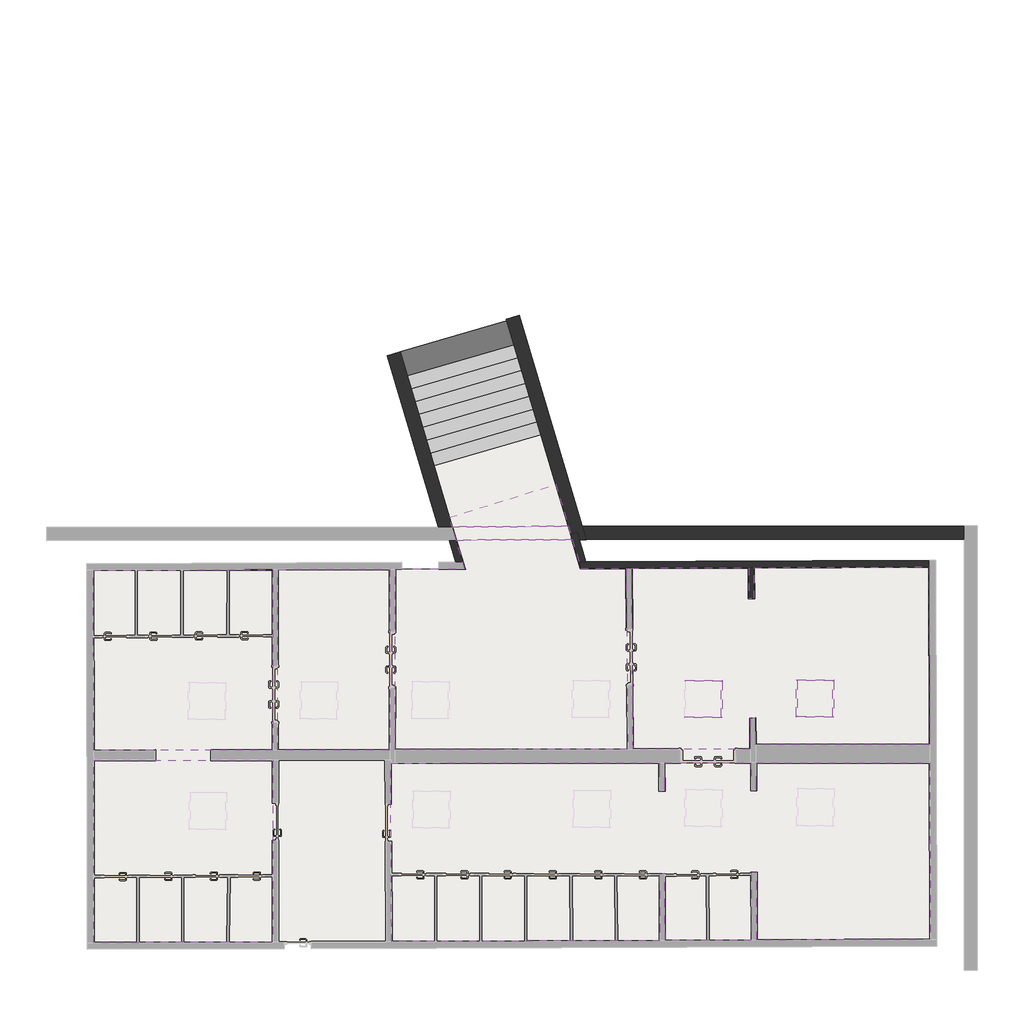
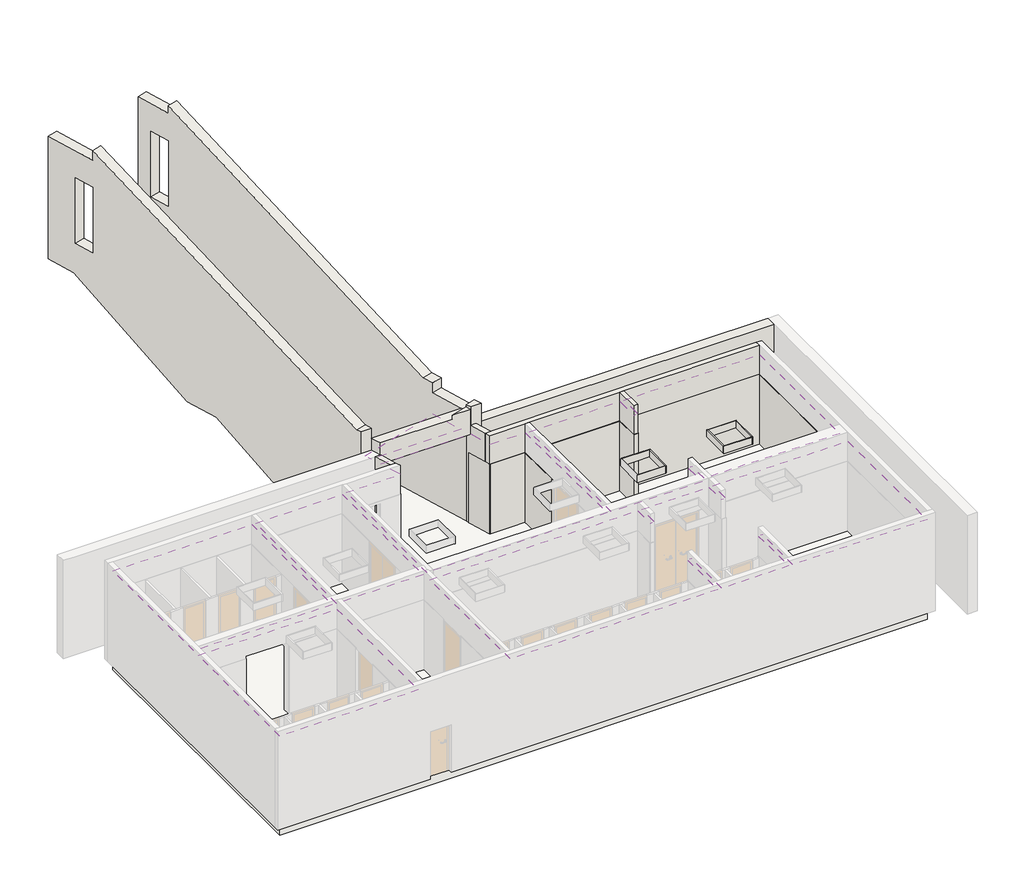
# One storey, part 4 of 4: 29 walls, 7 coverings, 1 slab, 1 stair flight.
"""IFC4 building model written with IfcOpenShell, lengths in millimetres."""

from ifc_helpers import new_model, si_unit, frame, origin, place, context, project, spatial, polyline, outline, extrude, faceted_brep, element, save

model = new_model("IFC4")

# Units and contexts
model_context = context("Model", 3, world=origin())
ifc_project = project(units=[si_unit("LENGTHUNIT", "METRE", prefix="MILLI")], contexts=[model_context])

# Site, building, storey
site = spatial("IfcSite", under=ifc_project)
building = spatial("IfcBuilding", under=site)
storey = spatial("IfcBuildingStorey", under=building, Elevation=-6274.75)

# Coverings
placement = place(None, origin())
element("IfcCovering", 1, at=placement, inside=storey, context=model_context, shape_type="SweptSolid", body=[
    extrude(outline(polyline([(70661.0360905, -28299.5111255), (70660.5794189, -32344.7183045), (66652.2460209, -32350.0143288), (66648.4929654, -28317.8677142), (70661.0360905, -28299.5111255)]), holes=[polyline([(68796.5427324, -31640.6858262), (69596.5427324, -31640.6858262), (69596.5427324, -30840.6858262), (68796.5427324, -30840.6858262), (68796.5427324, -31640.6858262)])]), frame((0.0, 0.0, -3549.75), z_axis=(0.0, 0.0, 1.0), x_axis=(1.0, 0.0, 0.0)), (0.0, 0.0, 1.0), 50.0),
])
element("IfcCovering", 2, at=placement, inside=storey, context=model_context, shape_type="SweptSolid", body=[
    extrude(outline(polyline([(66656.2516635, -36653.5313719), (66652.4507932, -32570.0142503), (70666.8270418, -32564.7102418), (70664.4581083, -36638.1355472), (66656.2516635, -36653.5313719)]), holes=[polyline([(68813.7898822, -33299.848315), (68813.7898822, -34099.848315), (69613.7898822, -34099.848315), (69613.7898822, -33299.848315), (68813.7898822, -33299.848315)])]), frame((0.0, 0.0, -3549.75), z_axis=(0.0, 0.0, 1.0), x_axis=(1.0, 0.0, 0.0)), (0.0, 0.0, 1.0), 50.0),
])
element("IfcCovering", 3, at=placement, inside=storey, context=model_context, shape_type="SweptSolid", body=[
    extrude(outline(polyline([(73282.105469, -32341.2546041), (70780.5794375, -32344.559754), (70781.0361532, -28298.9621491), (73284.790909, -28287.5079679), (73282.105469, -32341.2546041)]), holes=[polyline([(71300.5808019, -30825.8886279), (71300.5808019, -31625.8886279), (72100.5808019, -31625.8886279), (72100.5808019, -30825.8886279), (71300.5808019, -30825.8886279)])]), frame((0.0, 0.0, -3554.75), z_axis=(0.0, 0.0, 1.0), x_axis=(1.0, 0.0, 0.0)), (0.0, 0.0, 1.0), 50.0),
])
element("IfcCovering", 4, at=placement, inside=storey, context=model_context, shape_type="SweptSolid", body=[
    extrude(outline(polyline([(79327.7825208, -36604.8590615), (73325.5635402, -36627.9140395), (73303.2925428, -32631.4157063), (79314.845559, -32623.4588174), (79316.8767664, -33248.5707837), (79436.8761329, -33248.1808638), (79434.8456764, -32623.2999853), (81371.6534772, -32620.7364273), (81373.4381955, -33241.8657362), (81493.4377002, -33241.5209363), (81491.653895, -32620.7094403), (85375.9356956, -32622.5914468), (85386.7533636, -36581.5860953), (81503.0777203, -36596.5035878), (81498.7504439, -35090.4966453), (81378.7509393, -35090.8414452), (81383.0785493, -36596.9645137), (79447.7816566, -36604.3981358), (79442.9402665, -35114.4415177), (79322.9409, -35114.8314376), (79327.7825208, -36604.8590615)]), holes=[polyline([(82417.1908635, -33221.0864893), (82417.1908635, -34021.0864893), (83217.1908635, -34021.0864893), (83217.1908635, -33221.0864893), (82417.1908635, -33221.0864893)]), polyline([(79909.1447173, -33239.588368), (79909.1447173, -34039.588368), (80709.1447173, -34039.588368), (80709.1447173, -33239.588368), (79909.1447173, -33239.588368)]), polyline([(77407.3363559, -33256.8869609), (77407.3363559, -34056.8869609), (78207.3363559, -34056.8869609), (78207.3363559, -33256.8869609), (77407.3363559, -33256.8869609)]), polyline([(73813.7298631, -33273.4608772), (73813.7298631, -34073.4608772), (74613.7298631, -34073.4608772), (74613.7298631, -33273.4608772), (73813.7298631, -33273.4608772)])]), frame((0.0, 0.0, -3539.75), z_axis=(0.0, 0.0, 1.0), x_axis=(1.0, 0.0, 0.0)), (0.0, 0.0, 1.0), 50.0),
])
element("IfcCovering", 5, at=placement, inside=storey, context=model_context, shape_type="SweptSolid", body=[
    extrude(outline(polyline([(81357.108086, -32320.7554168), (78730.7105425, -32324.2317154), (78700.281519, -28265.6468686), (81318.4412016, -28255.5083461), (81325.0070951, -28945.814267), (81445.0016673, -28944.6729302), (81438.4422098, -28255.0436559), (85363.9601496, -28239.8425387), (85374.8427228, -32222.5908703), (81476.1618479, -32220.7018871), (81470.5583456, -31631.5770622), (81350.5637734, -31632.718399), (81357.108086, -32320.7554168)]), holes=[polyline([(79905.278356, -30799.811546), (79905.278356, -31599.811546), (80705.278356, -31599.811546), (80705.278356, -30799.811546), (79905.278356, -30799.811546)]), polyline([(82406.7360913, -30788.7189645), (82406.7360913, -31588.7189645), (83206.7360913, -31588.7189645), (83206.7360913, -30788.7189645), (82406.7360913, -30788.7189645)])]), frame((0.0, 0.0, -3554.75), z_axis=(0.0, 0.0, 1.0), x_axis=(1.0, 0.0, 0.0)), (0.0, 0.0, 1.0), 50.0),
])
element("IfcCovering", 6, at=placement, inside=storey, context=model_context, shape_type="SweptSolid", body=[
    extrude(outline(polyline([(73402.1121, -32331.284646), (73404.791299, -28286.9589899), (74967.5099121, -28279.8098623), (74769.4591671, -27637.674684), (77371.3769279, -27632.7346824), (77561.6079558, -28270.0562512), (78580.2816303, -28266.1115544), (78610.7083607, -32324.3905503), (73402.1121, -32331.284646)]), holes=[polyline([(74590.6635357, -30823.9171268), (73790.6635357, -30823.9171268), (73790.6635357, -31623.9171268), (74590.6635357, -31623.9171268), (74590.6635357, -30823.9171268)]), polyline([(77392.4819713, -30802.4562512), (77392.4819713, -31602.4562512), (78192.4819713, -31602.4562512), (78192.4819713, -30802.4562512), (77392.4819713, -30802.4562512)])]), frame((0.0, 0.0, -3539.75), z_axis=(0.0, 0.0, 1.0), x_axis=(1.0, 0.0, 0.0)), (0.0, 0.0, 1.0), 50.0),
])
element("IfcCovering", 7, at=placement, inside=storey, context=model_context, shape_type="SweptSolid", body=[
    extrude(outline(polyline([(77281.8819369, -27332.9040569), (74678.1940446, -27337.8474193), (74616.5790755, -27130.4023309), (77000.9104033, -26391.5790762), (77281.8819369, -27332.9040569)])), frame((0.0, 0.0, -3554.75), z_axis=(0.0, 0.0, 1.0), x_axis=(1.0, 0.0, 0.0)), (0.0, 0.0, 1.0), 50.0),
])

# Slab
element("IfcSlab", 8, at=placement, inside=storey, context=model_context, shape_type="SweptSolid", body=[
    extrude(outline(polyline([(66656.2516635, -36653.5313719), (66648.4929654, -28317.8677142), (74957.9869845, -28279.8534278), (74273.7927454, -25976.31037), (76668.5892777, -25278.2201068), (77561.6079558, -28270.0562512), (85363.9601496, -28239.8425387), (85386.7533636, -36581.5860953), (66656.2516635, -36653.5313719)])), frame((0.0, 0.0, -6574.75), z_axis=(0.0, 0.0, 1.0), x_axis=(1.0, 0.0, 0.0)), (0.0, 0.0, 1.0), 300.0),
])

# Stair flight
element("IfcStairFlight", 9, ObjectType="3/4\" Nosing", at=placement, inside=storey, context=model_context, shape_type="Brep", body=[
    faceted_brep([(74188.37431, -25688.7238446, -6116.90625), (74273.7927454, -25976.31037, -6116.90625), (76668.5892777, -25278.2201068, -6116.90625), (76582.7827375, -24990.746715, -6116.90625), (74188.37431, -25688.7238446, -6274.75), (74273.7927454, -25976.31037, -6274.75), (76668.5892777, -25278.2201068, -6274.75), (76582.7827375, -24990.746715, -6274.75), (74102.9558745, -25401.1373191, -5959.0625), (74188.37431, -25688.7238446, -5959.0625), (76582.7827375, -24990.746715, -5959.0625), (76496.9761974, -24703.2733233, -5959.0625), (74102.9558745, -25401.1373191, -6159.9709486), (74165.0694963, -25610.2612697, -6274.75), (76559.3720368, -24912.3150066, -6274.75), (76496.9761974, -24703.2733233, -6159.9709486), (74017.5374391, -25113.5507937, -5801.21875), (74102.9558745, -25401.1373191, -5801.21875), (76496.9761974, -24703.2733233, -5801.21875), (76411.1696572, -24415.7999315, -5801.21875), (74017.5374391, -25113.5507937, -6002.1271986), (76411.1696572, -24415.7999315, -6002.1271986), (73932.1190037, -24825.9642683, -5643.375), (74017.5374391, -25113.5507937, -5643.375), (76411.1696572, -24415.7999315, -5643.375), (76325.363117, -24128.3265397, -5643.375), (73932.1190037, -24825.9642683, -5844.2834486), (76325.363117, -24128.3265397, -5844.2834486), (73846.7005682, -24538.3777428, -5485.53125), (73932.1190037, -24825.9642683, -5485.53125), (76325.363117, -24128.3265397, -5485.53125), (76239.5565769, -23840.853148, -5485.53125), (73846.7005682, -24538.3777428, -5686.4396986), (76239.5565769, -23840.853148, -5686.4396986), (73761.2821328, -24250.7912174, -5327.6875), (73846.7005682, -24538.3777428, -5327.6875), (76239.5565769, -23840.853148, -5327.6875), (76153.7500367, -23553.3797562, -5327.6875), (73761.2821328, -24250.7912174, -5528.5959486), (76153.7500367, -23553.3797562, -5528.5959486), (73675.8636974, -23963.2046919, -5169.84375), (73761.2821328, -24250.7912174, -5169.84375), (76153.7500367, -23553.3797562, -5169.84375), (76067.9434966, -23265.9063644, -5169.84375), (73675.8636974, -23963.2046919, -5370.7521986), (76067.9434966, -23265.9063644, -5370.7521986), (73590.445262, -23675.6181665, -5012.0), (73675.8636974, -23963.2046919, -5012.0), (76067.9434966, -23265.9063644, -5012.0), (75982.1369564, -22978.4329727, -5012.0), (73590.445262, -23675.6181665, -5212.9084486), (75982.1369564, -22978.4329727, -5212.9084486), (73505.0268265, -23388.0316411, -4854.15625), (73590.445262, -23675.6181665, -4854.15625), (75982.1369564, -22978.4329727, -4854.15625), (75896.3304162, -22690.9595809, -4854.15625), (73505.0268265, -23388.0316411, -5055.0646986), (75896.3304162, -22690.9595809, -5055.0646986), (73419.6083911, -23100.4451156, -4696.3125), (73505.0268265, -23388.0316411, -4696.3125), (75896.3304162, -22690.9595809, -4696.3125), (75810.5238761, -22403.4861892, -4696.3125), (73419.6083911, -23100.4451156, -4897.2209486), (75810.5238761, -22403.4861892, -4897.2209486), (73334.1899557, -22812.8585902, -4538.46875), (73419.6083911, -23100.4451156, -4538.46875), (75810.5238761, -22403.4861892, -4538.46875), (75724.7173359, -22116.0127974, -4538.46875), (73334.1899557, -22812.8585902, -4739.3771986), (75724.7173359, -22116.0127974, -4739.3771986), (73334.1899557, -22812.8585902, -4380.625), (75724.7173359, -22116.0127974, -4380.625), (75626.3486511, -21786.4530759, -4380.625), (75352.8889952, -20870.2947664, -4380.625), (72964.0434021, -21566.6503133, -4380.625), (73236.2661944, -22483.1691722, -4380.625), (72964.0434021, -21566.6503133, -4558.425), (73236.2661944, -22483.1691722, -4558.425), (75626.3486511, -21786.4530759, -4558.425), (75352.8889952, -20870.2947664, -4558.425), (72964.0434021, -21566.6503133, -4222.78125), (75352.8889952, -20870.2947664, -4222.78125), (75340.3268505, -20828.2084367, -4222.78125), (75267.082455, -20582.8213747, -4222.78125), (72878.6249667, -21279.0637878, -4222.78125), (72951.5380763, -21524.5474207, -4222.78125), (72878.6249667, -21279.0637878, -4423.6896986), (72951.5380763, -21524.5474207, -4558.425), (75340.3268505, -20828.2084367, -4558.425), (75267.082455, -20582.8213747, -4423.6896986), (72793.2065313, -20991.4772624, -4064.9375), (72878.6249667, -21279.0637878, -4064.9375), (75267.082455, -20582.8213747, -4064.9375), (75181.2759149, -20295.3479829, -4064.9375), (72793.2065313, -20991.4772624, -4265.8459486), (75181.2759149, -20295.3479829, -4265.8459486), (72707.7880959, -20703.890737, -3907.09375), (72793.2065313, -20991.4772624, -3907.09375), (75181.2759149, -20295.3479829, -3907.09375), (75095.4693747, -20007.8745911, -3907.09375), (72707.7880959, -20703.890737, -4108.0021986), (75095.4693747, -20007.8745911, -4108.0021986), (72622.3696604, -20416.3042115, -3749.25), (72707.7880959, -20703.890737, -3749.25), (75095.4693747, -20007.8745911, -3749.25), (75009.6628345, -19720.4011994, -3749.25), (72622.3696604, -20416.3042115, -3950.1584486), (75009.6628345, -19720.4011994, -3950.1584486), (72536.951225, -20128.7176861, -3591.40625), (72622.3696604, -20416.3042115, -3591.40625), (75009.6628345, -19720.4011994, -3591.40625), (74923.8562944, -19432.9278076, -3591.40625), (72536.951225, -20128.7176861, -3792.3146986), (74923.8562944, -19432.9278076, -3792.3146986), (72451.5327896, -19841.1311606, -3433.5625), (72536.951225, -20128.7176861, -3433.5625), (74923.8562944, -19432.9278076, -3433.5625), (74838.0497542, -19145.4544158, -3433.5625), (72451.5327896, -19841.1311606, -3634.4709486), (74838.0497542, -19145.4544158, -3634.4709486), (72366.1143541, -19553.5446352, -3275.71875), (72451.5327896, -19841.1311606, -3275.71875), (74838.0497542, -19145.4544158, -3275.71875), (74752.243214, -18857.9810241, -3275.71875), (72366.1143541, -19553.5446352, -3476.6271986), (74752.243214, -18857.9810241, -3476.6271986), (72280.6959187, -19265.9581098, -3117.875), (72366.1143541, -19553.5446352, -3117.875), (74752.243214, -18857.9810241, -3117.875), (74666.4366739, -18570.5076323, -3117.875), (72280.6959187, -19265.9581098, -3318.7834486), (74666.4366739, -18570.5076323, -3318.7834486), (72195.2774833, -18978.3715843, -2960.03125), (72280.6959187, -19265.9581098, -2960.03125), (74666.4366739, -18570.5076323, -2960.03125), (74580.6301337, -18283.0342406, -2960.03125), (72195.2774833, -18978.3715843, -3160.9396986), (74580.6301337, -18283.0342406, -3160.9396986), (72109.8590479, -18690.7850589, -2802.1875), (72195.2774833, -18978.3715843, -2802.1875), (74580.6301337, -18283.0342406, -2802.1875), (74494.8235936, -17995.5608488, -2802.1875), (72109.8590479, -18690.7850589, -3003.0959486), (74494.8235936, -17995.5608488, -3003.0959486), (72029.8646831, -18421.4602778, -2644.34375), (72109.8590479, -18690.7850589, -2644.34375), (74494.8235936, -17995.5608488, -2644.34375), (74414.4657687, -17726.3420174, -2644.34375), (72029.8646831, -18421.4602778, -2855.2752767), (74414.4657687, -17726.3420174, -2855.2752767)], [[[0, 1, 2, 3]], [[1, 0, 4, 5]], [[2, 1, 5, 6]], [[3, 2, 6, 7]], [[8, 9, 10, 11]], [[4, 0, 9, 8, 12, 13]], [[0, 3, 10, 9]], [[3, 7, 14, 15, 11, 10]], [[16, 17, 18, 19]], [[17, 16, 20, 12, 8]], [[8, 11, 18, 17]], [[19, 18, 11, 15, 21]], [[22, 23, 24, 25]], [[23, 22, 26, 20, 16]], [[16, 19, 24, 23]], [[25, 24, 19, 21, 27]], [[28, 29, 30, 31]], [[29, 28, 32, 26, 22]], [[22, 25, 30, 29]], [[31, 30, 25, 27, 33]], [[34, 35, 36, 37]], [[35, 34, 38, 32, 28]], [[28, 31, 36, 35]], [[37, 36, 31, 33, 39]], [[40, 41, 42, 43]], [[41, 40, 44, 38, 34]], [[34, 37, 42, 41]], [[43, 42, 37, 39, 45]], [[46, 47, 48, 49]], [[47, 46, 50, 44, 40]], [[40, 43, 48, 47]], [[49, 48, 43, 45, 51]], [[52, 53, 54, 55]], [[53, 52, 56, 50, 46]], [[46, 49, 54, 53]], [[55, 54, 49, 51, 57]], [[58, 59, 60, 61]], [[59, 58, 62, 56, 52]], [[52, 55, 60, 59]], [[61, 60, 55, 57, 63]], [[64, 65, 66, 67]], [[65, 64, 68, 62, 58]], [[58, 61, 66, 65]], [[67, 66, 61, 63, 69]], [[70, 71, 72, 73, 74, 75]], [[64, 70, 75, 74, 76, 77, 68]], [[64, 67, 71, 70]], [[71, 67, 69, 78, 79, 73, 72]], [[80, 81, 82, 83, 84, 85]], [[74, 80, 85, 84, 86, 87, 76]], [[74, 73, 81, 80]], [[81, 73, 79, 88, 89, 83, 82]], [[90, 91, 92, 93]], [[91, 90, 94, 86, 84]], [[84, 83, 92, 91]], [[93, 92, 83, 89, 95]], [[96, 97, 98, 99]], [[97, 96, 100, 94, 90]], [[90, 93, 98, 97]], [[99, 98, 93, 95, 101]], [[102, 103, 104, 105]], [[103, 102, 106, 100, 96]], [[96, 99, 104, 103]], [[105, 104, 99, 101, 107]], [[108, 109, 110, 111]], [[109, 108, 112, 106, 102]], [[102, 105, 110, 109]], [[111, 110, 105, 107, 113]], [[114, 115, 116, 117]], [[115, 114, 118, 112, 108]], [[108, 111, 116, 115]], [[117, 116, 111, 113, 119]], [[120, 121, 122, 123]], [[121, 120, 124, 118, 114]], [[114, 117, 122, 121]], [[123, 122, 117, 119, 125]], [[126, 127, 128, 129]], [[127, 126, 130, 124, 120]], [[120, 123, 128, 127]], [[129, 128, 123, 125, 131]], [[132, 133, 134, 135]], [[133, 132, 136, 130, 126]], [[126, 129, 134, 133]], [[135, 134, 129, 131, 137]], [[138, 139, 140, 141]], [[139, 138, 142, 136, 132]], [[132, 135, 140, 139]], [[141, 140, 135, 137, 143]], [[144, 145, 146, 147]], [[145, 144, 148, 142, 138]], [[138, 141, 146, 145]], [[147, 146, 141, 143, 149]], [[144, 147, 149, 148]], [[5, 4, 13, 14, 7, 6]], [[77, 78, 69, 63, 57, 51, 45, 39, 33, 27, 21, 15, 14, 13, 12, 20, 26, 32, 38, 44, 50, 56, 62, 68]], [[78, 77, 76, 87, 88, 79]], [[88, 87, 86, 94, 100, 106, 112, 118, 124, 130, 136, 142, 148, 149, 143, 137, 131, 125, 119, 113, 107, 101, 95, 89]]]),
])

# Walls
element("IfcWall", 10, at=placement, inside=storey, context=model_context, shape_type="Brep", body=[
    faceted_brep([(81318.4412016, -28255.5083461, -6274.75), (81325.0070951, -28945.814267, -6274.75), (81325.0070951, -28945.814267, -4144.75), (81325.0070951, -28945.814267, -3270.5), (81318.4412016, -28255.5083461, -3270.5), (81438.4422098, -28255.0436559, -6274.75), (81438.4422098, -28255.0436559, -3270.5), (81445.0016673, -28944.6729302, -3270.5), (81445.0016673, -28944.6729302, -6274.75)], [[[0, 1, 2, 3, 4]], [[5, 6, 7, 8]], [[1, 0, 5, 8]], [[0, 4, 6, 5]], [[3, 2, 1, 8, 7]], [[4, 3, 7, 6]]]),
])
element("IfcWall", 11, at=placement, inside=storey, context=model_context, shape_type="Brep", body=[
    faceted_brep([(85363.5502867, -28089.8430012, -6274.75), (77673.2452666, -28119.6228239, -6274.75), (77516.8865379, -28120.2283051, -6274.75), (77516.8865379, -28120.2283051, -3270.5), (77673.2452666, -28119.6228239, -3270.5), (85363.5502867, -28089.8430012, -3270.5), (85363.9601496, -28239.8425387, -6274.75), (85363.9601496, -28239.8425387, -3270.5), (81438.4422098, -28255.0436559, -3270.5), (81318.4412016, -28255.5083461, -3270.5), (78700.281519, -28265.6468686, -3270.5), (78580.2816303, -28266.1115544, -3270.5), (77561.6079558, -28270.0562512, -3270.5), (77561.6079558, -28270.0562512, -6274.75), (78580.2816303, -28266.1115544, -6274.75), (78700.281519, -28265.6468686, -6274.75), (81318.4412016, -28255.5083461, -6274.75), (81438.4422098, -28255.0436559, -6274.75)], [[[0, 1, 2, 3, 4, 5]], [[6, 7, 8, 9, 10, 11, 12, 13, 14, 15, 16, 17]], [[2, 1, 0, 6, 17, 16, 15, 14, 13]], [[0, 5, 7, 6]], [[3, 2, 13, 12]], [[5, 4, 3, 12, 11, 10, 9, 8, 7]]]),
])
element("IfcWall", 12, at=placement, inside=storey, context=model_context, shape_type="Brep", body=[
    faceted_brep([(74678.1940446, -27337.8474193, -6274.75), (74165.0694963, -25610.2612697, -6274.75), (73236.2661944, -22483.1691722, -4558.425), (72951.5380763, -21524.5474207, -4558.425), (71838.8898139, -17778.4866763, -2502.375), (71589.5447091, -16938.9923449, -2502.375), (71589.5447091, -16938.9923449, 1244.5), (72024.447969, -18403.2233017, 1244.5), (72024.447969, -18403.2233017, 1246.0016203), (72025.2958508, -18406.0779474, 1246.0016203), (72025.2958508, -18406.0779474, 1538.2095251), (74617.5840108, -27133.7857441, -2601.433727), (74678.1940446, -27337.8474193, -2601.433727), (74678.1940446, -27337.8474193, -3270.5), (72025.1731181, -18405.6647314, -1588.375), (72025.1731181, -18405.6647314, 411.625), (71854.3384479, -17830.4990896, 411.625), (71854.3384479, -17830.4990896, -1588.375), (73877.4866754, -25695.6786048, -6274.75), (74365.4171005, -27338.4412576, -6274.75), (74365.4171005, -27338.4412576, -2601.433727), (74330.0011899, -27219.2030792, -2601.433727), (71737.7130299, -18491.4952825, 1538.2095251), (71737.7130299, -18491.4952825, 1246.0016203), (71737.7130299, -18491.4952825, 1244.5), (71301.9618882, -17024.40968, 1244.5), (71301.9618882, -17024.40968, -2502.375), (71551.3069931, -17863.9040114, -2502.375), (72663.9552554, -21609.9647558, -4558.425), (72948.6833735, -22568.5865073, -4558.425), (71737.5902973, -18491.0820665, 411.625), (71737.5902973, -18491.0820665, -1588.375), (71566.755627, -17915.9164247, -1588.375), (71566.755627, -17915.9164247, 411.625)], [[[0, 1, 2, 3, 4, 5, 6, 7, 8, 9, 10, 11, 12, 13], [14, 15, 16, 17]], [[18, 19, 20, 21, 22, 23, 24, 25, 26, 27, 28, 29], [30, 31, 32, 33]], [[0, 13, 12, 20, 19]], [[1, 0, 19, 18]], [[5, 26, 25, 6]], [[23, 9, 8]], [[2, 1, 18, 29]], [[3, 2, 29, 28]], [[4, 3, 28, 27]], [[5, 4, 27, 26]], [[10, 9, 23, 22]], [[11, 10, 22, 21]], [[12, 11, 21, 20]], [[31, 30, 15, 14]], [[32, 31, 14, 17]], [[33, 32, 17, 16]], [[30, 33, 16, 15]], [[24, 7, 6, 25]], [[7, 24, 23, 8]]]),
])
element("IfcWall", 13, at=placement, inside=storey, context=model_context, shape_type="Brep", body=[
    faceted_brep([(76813.9897289, -24716.4552849, -6274.75), (75913.8161126, -21700.6483058, -4558.425), (75627.794312, -20742.4036666, -4558.425), (74503.0236326, -16974.1402972, -2489.375), (74387.6418283, -16587.5823661, -2489.375), (74387.6418283, -16587.5823661, 1244.5), (74685.0983646, -17584.1362327, 1244.5), (74685.0983646, -17584.1362327, 1248.5555655), (74685.0983646, -17584.1362327, 1475.9665883), (77195.4302139, -25994.3764057, -2601.433727), (77287.9318336, -26304.2799901, -2601.433727), (77287.9318336, -26304.2799901, -2903.0460132), (77615.6951462, -27402.3691447, -2903.0460132), (77615.6951462, -27402.3691447, -2717.7222316), (77684.278517, -27632.1406073, -2717.7222316), (77684.278517, -27632.1406073, -3270.5), (77684.278517, -27632.1406073, -6274.75), (77594.783526, -27332.3099818, -6274.75), (74513.4888244, -17009.2013097, 403.5), (74513.4888244, -17009.2013097, -1596.5), (74685.0983646, -17584.1362327, -1596.5), (74685.0983646, -17584.1362327, 403.5), (76526.5222674, -24802.2600549, -6274.75), (77371.3769279, -27632.7346824, -6274.75), (77371.3769279, -27632.7346824, -3554.75), (77371.3769279, -27632.7346824, -3270.5), (77371.3769279, -27632.7346824, -2790.2599756), (77371.3769279, -27632.7346824, -2717.7222316), (77328.1120642, -27487.7865574, -2717.7222316), (77328.1120642, -27487.7865574, -2790.2599756), (77328.1120642, -27487.7865574, -2903.0460132), (77281.8819369, -27332.9040569, -2903.0460132), (77001.3433044, -26393.0294032, -2903.0460132), (77001.3433044, -26393.0294032, -2601.433727), (76907.9627524, -26080.1811758, -2601.433727), (74398.3670004, -17672.407113, 1474.7709841), (74398.3670004, -17672.407113, 1244.5), (74100.1743668, -16673.3871362, 1244.5), (74100.1743668, -16673.3871362, -2489.375), (74215.5561711, -17059.9450672, -2489.375), (75340.3268505, -20828.2084367, -4558.425), (75626.3486511, -21786.4530759, -4558.425), (74226.0213629, -17095.0060797, -1596.5), (74226.0213629, -17095.0060797, 403.5), (74397.630903, -17669.9410028, 403.5), (74397.630903, -17669.9410028, -1596.5)], [[[0, 1, 2, 3, 4, 5, 6, 7, 8, 9, 10, 11, 12, 13, 14, 15, 16, 17], [18, 19, 20, 21]], [[22, 23, 24, 25, 26, 27, 28, 29, 30, 31, 32, 33, 34, 35, 36, 37, 38, 39, 40, 41], [42, 43, 44, 45]], [[23, 22, 0, 17, 16]], [[4, 38, 37, 5]], [[1, 0, 22, 41]], [[2, 1, 41, 40]], [[3, 2, 40, 39]], [[4, 3, 39, 38]], [[9, 8, 35, 34]], [[9, 34, 33, 10]], [[28, 27, 14, 13]], [[23, 16, 15, 14, 27, 26, 25, 24]], [[12, 30, 29, 28, 13]], [[32, 11, 10, 33]], [[30, 12, 11, 32, 31]], [[19, 18, 43, 42]], [[20, 19, 42, 45]], [[21, 20, 45, 44]], [[18, 21, 44, 43]], [[36, 6, 5, 37]], [[6, 36, 35, 8, 7]]]),
])
element("IfcWall", 14, at=placement, inside=storey, context=model_context, shape_type="SweptSolid", body=[
    extrude(outline(polyline([(86143.0578345, -27616.0807671), (77684.278517, -27632.1406073), (77594.783526, -27332.3099818), (86143.0578345, -27316.0802264), (86143.0578345, -27616.0807671)])), frame((0.0, 0.0, -6274.75), z_axis=(0.0, 0.0, 1.0), x_axis=(1.0, 0.0, 0.0)), (0.0, 0.0, 1.0), 3004.25),
])
element("IfcWall", 15, at=placement, inside=storey, context=model_context, shape_type="Brep", body=[
    faceted_brep([(74612.5786181, -27637.9725374, -3270.5), (74612.5786181, -27637.9725374, -6274.75), (74764.5595758, -28130.7367502, -6274.75), (74764.5595758, -28130.7367502, -3270.5), (74769.4591671, -27637.674684, -6274.75), (74769.4591671, -27637.674684, -3270.5), (74921.3108169, -28130.0196443, -3270.5), (74921.3108169, -28130.0196443, -6274.75), (74767.2494486, -27637.6788794, -6274.75), (74767.2494486, -27637.6788794, -3270.5)], [[[0, 1, 2, 3]], [[4, 5, 6, 7]], [[2, 1, 8, 4, 7]], [[3, 2, 7, 6]], [[0, 3, 6, 5, 9]], [[0, 9, 5, 4, 8, 1]]]),
])
element("IfcWall", 16, at=placement, inside=storey, context=model_context, shape_type="Brep", body=[
    faceted_brep([(77332.9879643, -27504.1220434, -6274.75), (77516.8865379, -28120.2283051, -6274.75), (77516.8865379, -28120.2283051, -3270.5), (77371.3769279, -27632.7346824, -3270.5), (77371.3769279, -27632.7346824, -3554.75), (77332.9879643, -27504.1220434, -3554.75), (77673.2452666, -28119.6228239, -6274.75), (77476.7216951, -27461.2196583, -6274.75), (77476.7216951, -27461.2196583, -3554.75), (77527.8277225, -27632.4376448, -3554.75), (77527.8277225, -27632.4376448, -3270.5), (77673.2452666, -28119.6228239, -3270.5)], [[[0, 1, 2, 3, 4, 5]], [[6, 7, 8, 9, 10, 11]], [[1, 0, 7, 6]], [[2, 1, 6, 11]], [[7, 0, 5, 8]], [[9, 8, 5, 4]], [[9, 4, 3, 10]], [[3, 2, 11, 10]]]),
])
element("IfcWall", 17, at=placement, inside=storey, context=model_context, shape_type="Brep", body=[
    faceted_brep([(74767.2494486, -27637.6788794, -3554.75), (77371.3769279, -27632.7346824, -3554.75), (77371.3769279, -27632.7346824, -2790.2599756), (76836.6832938, -27633.7498518, -2790.2599756), (76836.6832938, -27633.7498518, -2903.0460132), (74767.2494486, -27637.6788794, -2903.0460132), (74767.2494486, -27637.6788794, -3270.5), (77281.8819369, -27332.9040569, -3554.75), (74678.1940446, -27337.8474193, -3554.75), (74678.1940446, -27337.8474193, -3270.5), (74678.1940446, -27337.8474193, -2903.0460132), (77281.8819369, -27332.9040569, -2903.0460132), (77328.1120642, -27487.7865574, -2790.2599756), (77328.1120642, -27487.7865574, -2903.0460132)], [[[0, 1, 2, 3, 4, 5, 6]], [[7, 8, 9, 10, 11]], [[1, 0, 8, 7]], [[3, 2, 12]], [[8, 0, 6, 5, 10, 9]], [[1, 7, 11, 13, 12, 2]], [[13, 4, 3, 12]], [[4, 13, 11, 10, 5]]]),
])
element("IfcWall", 18, at=placement, inside=storey, context=model_context, shape_type="SweptSolid", body=[
    extrude(outline(polyline([(74694.7882075, -27361.6409635), (74977.9599948, -28279.7620552), (74967.5099121, -28279.8098623), (74685.2323883, -27364.5882201), (74694.7882075, -27361.6409635)])), frame((0.0, 0.0, -6274.75), z_axis=(0.0, 0.0, 1.0), x_axis=(1.0, 0.0, 0.0)), (0.0, 0.0, 1.0), 2130.0),
])
element("IfcWall", 19, at=placement, inside=storey, context=model_context, shape_type="Brep", body=[
    faceted_brep([(77345.5762365, -27581.5849821, -6274.75), (77554.0682793, -28280.0855227, -6274.75), (77554.0682793, -28280.0855227, -4144.75), (77345.5762365, -27581.5849821, -4144.75), (77355.1584852, -27578.7248231, -6274.75), (77355.1584852, -27578.7248231, -4144.75), (77561.5107666, -28270.0566275, -4144.75), (77564.4921945, -28280.0451573, -4144.75), (77564.4921945, -28280.0451573, -6274.75), (77561.5107666, -28270.0566275, -6274.75)], [[[0, 1, 2, 3]], [[4, 5, 6, 7, 8, 9]], [[1, 0, 4, 9, 8]], [[3, 2, 7, 6, 5]], [[0, 3, 5, 4]], [[2, 1, 8, 7]]]),
])
element("IfcWall", 20, at=placement, inside=storey, context=model_context, shape_type="Brep", body=[
    faceted_brep([(77564.4921945, -28280.0451573, -6274.75), (78570.3566124, -28276.1500629, -6274.75), (78580.3566032, -28276.1113391, -6274.75), (78580.3566032, -28276.1113391, -4144.75), (78570.3566124, -28276.1500629, -4144.75), (77564.4921945, -28280.0451573, -4144.75), (77561.5107666, -28270.0566275, -6274.75), (77561.5107666, -28270.0566275, -4144.75), (78580.2816303, -28266.1115544, -4144.75), (78580.2816303, -28266.1115544, -6274.75)], [[[0, 1, 2, 3, 4, 5]], [[6, 7, 8, 9]], [[2, 1, 0, 6, 9]], [[5, 4, 3, 8, 7]], [[3, 2, 9, 8]], [[0, 5, 7, 6]]]),
])
element("IfcWall", 21, at=placement, inside=storey, context=model_context, shape_type="SweptSolid", body=[
    extrude(outline(polyline([(78580.6129991, -29644.1340061), (78570.3566124, -28276.1500629), (78580.3566032, -28276.1113391), (78590.612718, -29644.0590338), (78580.6129991, -29644.1340061)])), frame((0.0, 0.0, -6274.75), z_axis=(0.0, 0.0, 1.0), x_axis=(1.0, 0.0, 0.0)), (0.0, 0.0, 1.0), 2130.0),
])
element("IfcWall", 22, at=placement, inside=storey, context=model_context, shape_type="Brep", body=[
    faceted_brep([(78720.6090644, -29643.0843931, -6274.75), (78710.3564826, -28275.6079295, -6274.75), (78710.2815097, -28265.6081448, -6274.75), (78710.2815097, -28265.6081448, -4144.75), (78710.3564826, -28275.6079295, -4144.75), (78720.6090644, -29643.0843931, -4144.75), (78710.6093455, -29643.1593654, -6274.75), (78710.6093455, -29643.1593654, -4144.75), (78700.281519, -28265.6468686, -4144.75), (78700.281519, -28265.6468686, -6274.75)], [[[0, 1, 2, 3, 4, 5]], [[6, 7, 8, 9]], [[2, 1, 0, 6, 9]], [[5, 4, 3, 8, 7]], [[0, 5, 7, 6]], [[3, 2, 9, 8]]]),
])
element("IfcWall", 23, at=placement, inside=storey, context=model_context, shape_type="Brep", body=[
    faceted_brep([(78710.3564826, -28275.6079295, -6274.75), (81308.5362305, -28265.5467769, -6274.75), (81318.5363146, -28265.5080527, -6274.75), (81318.5363146, -28265.5080527, -4144.75), (81308.5362305, -28265.5467769, -4144.75), (78710.3564826, -28275.6079295, -4144.75), (78710.2815097, -28265.6081448, -6274.75), (78710.2815097, -28265.6081448, -4144.75), (81318.4412016, -28255.5083461, -4144.75), (81318.4412016, -28255.5083461, -6274.75)], [[[0, 1, 2, 3, 4, 5]], [[6, 7, 8, 9]], [[2, 1, 0, 6, 9]], [[5, 4, 3, 8, 7]], [[0, 5, 7, 6]], [[3, 2, 9, 8]]]),
])
element("IfcWall", 24, at=placement, inside=storey, context=model_context, shape_type="Brep", body=[
    faceted_brep([(81308.5362305, -28265.5467769, -6274.75), (81315.1026589, -28955.9089261, -6274.75), (81315.1026589, -28955.9089261, -4144.75), (81308.5362305, -28265.5467769, -4144.75), (81318.5363146, -28265.5080527, -6274.75), (81318.5363146, -28265.5080527, -4144.75), (81325.0070951, -28945.814267, -4144.75), (81325.1022065, -28955.8138147, -4144.75), (81325.1022065, -28955.8138147, -6274.75), (81325.0070951, -28945.814267, -6274.75)], [[[0, 1, 2, 3]], [[4, 5, 6, 7, 8, 9]], [[1, 0, 4, 9, 8]], [[3, 2, 7, 6, 5]], [[0, 3, 5, 4]], [[2, 1, 8, 7]]]),
])
element("IfcWall", 25, at=placement, inside=storey, context=model_context, shape_type="Brep", body=[
    faceted_brep([(81325.1022065, -28955.8138147, -6274.75), (81455.0963264, -28954.5773665, -6274.75), (81455.0963264, -28954.5773665, -4144.75), (81325.1022065, -28955.8138147, -4144.75), (81325.0070951, -28945.814267, -6274.75), (81325.0070951, -28945.814267, -4144.75), (81445.0016673, -28944.6729302, -4144.75), (81455.001215, -28944.5778188, -4144.75), (81455.001215, -28944.5778188, -6274.75), (81445.0016673, -28944.6729302, -6274.75)], [[[0, 1, 2, 3]], [[4, 5, 6, 7, 8, 9]], [[1, 0, 4, 9, 8]], [[3, 2, 7, 6, 5]], [[0, 3, 5, 4]], [[2, 1, 8, 7]]]),
])
element("IfcWall", 26, at=placement, inside=storey, context=model_context, shape_type="Brep", body=[
    faceted_brep([(81455.001215, -28944.5778188, -6274.75), (81448.5374067, -28265.0046384, -6274.75), (81448.4422938, -28255.0049318, -6274.75), (81448.4422938, -28255.0049318, -4144.75), (81448.5374067, -28265.0046384, -4144.75), (81455.001215, -28944.5778188, -4144.75), (81445.0016673, -28944.6729302, -6274.75), (81445.0016673, -28944.6729302, -4144.75), (81438.4422098, -28255.0436559, -4144.75), (81438.4422098, -28255.0436559, -6274.75)], [[[0, 1, 2, 3, 4, 5]], [[6, 7, 8, 9]], [[2, 1, 0, 6, 9]], [[5, 4, 3, 8, 7]], [[0, 5, 7, 6]], [[3, 2, 9, 8]]]),
])
element("IfcWall", 27, at=placement, inside=storey, context=model_context, shape_type="Brep", body=[
    faceted_brep([(81448.5374067, -28265.0046384, -6274.75), (85353.9875423, -28249.8812315, -6274.75), (85363.9874738, -28249.8425079, -6274.75), (85363.9874738, -28249.8425079, -4144.75), (85353.9875423, -28249.8812315, -4144.75), (81448.5374067, -28265.0046384, -4144.75), (81448.4422938, -28255.0049318, -6274.75), (81448.4422938, -28255.0049318, -4144.75), (85363.9601496, -28239.8425387, -4144.75), (85363.9601496, -28239.8425387, -6274.75)], [[[0, 1, 2, 3, 4, 5]], [[6, 7, 8, 9]], [[2, 1, 0, 6, 9]], [[5, 4, 3, 8, 7]], [[0, 5, 7, 6]], [[3, 2, 9, 8]]]),
])
element("IfcWall", 28, at=placement, inside=storey, context=model_context, shape_type="Brep", body=[
    faceted_brep([(85353.9875423, -28249.8812315, -6274.75), (85364.815348, -32212.5860107, -6274.75), (85364.8426723, -32222.5860251, -6274.75), (85364.8426723, -32222.5860251, -4144.75), (85364.815348, -32212.5860107, -4144.75), (85353.9875423, -28249.8812315, -4144.75), (85363.9874738, -28249.8425079, -6274.75), (85363.9874738, -28249.8425079, -4144.75), (85374.8427228, -32222.5908703, -4144.75), (85374.8427228, -32222.5908703, -6274.75)], [[[0, 1, 2, 3, 4, 5]], [[6, 7, 8, 9]], [[2, 1, 0, 6, 9]], [[5, 4, 3, 8, 7]], [[0, 5, 7, 6]], [[3, 2, 9, 8]]]),
])
element("IfcWall", 29, at=placement, inside=storey, context=model_context, shape_type="Brep", body=[
    faceted_brep([(81486.0672302, -32210.7066853, -6274.75), (81480.4627818, -31621.4824031, -6274.75), (81480.4627818, -31621.4824031, -4144.75), (81486.0672302, -32210.7066853, -4144.75), (81476.0667318, -32210.7018399, -6274.75), (81476.0667318, -32210.7018399, -4144.75), (81470.5583456, -31631.5770622, -4144.75), (81470.4632342, -31621.5775145, -4144.75), (81470.4632342, -31621.5775145, -6274.75), (81470.5583456, -31631.5770622, -6274.75)], [[[0, 1, 2, 3]], [[4, 5, 6, 7, 8, 9]], [[1, 0, 4, 9, 8]], [[3, 2, 7, 6, 5]], [[0, 3, 5, 4]], [[2, 1, 8, 7]]]),
])
element("IfcWall", 30, at=placement, inside=storey, context=model_context, shape_type="Brep", body=[
    faceted_brep([(81470.4632342, -31621.5775145, -6274.75), (81340.4691143, -31622.8139627, -6274.75), (81340.4691143, -31622.8139627, -4144.75), (81470.4632342, -31621.5775145, -4144.75), (81470.5583456, -31631.5770622, -6274.75), (81470.5583456, -31631.5770622, -4144.75), (81350.5637734, -31632.718399, -4144.75), (81340.5642257, -31632.8135104, -4144.75), (81340.5642257, -31632.8135104, -6274.75), (81350.5637734, -31632.718399, -6274.75)], [[[0, 1, 2, 3]], [[4, 5, 6, 7, 8, 9]], [[1, 0, 4, 9, 8]], [[3, 2, 7, 6, 5]], [[0, 3, 5, 4]], [[2, 1, 8, 7]]]),
])
element("IfcWall", 31, at=placement, inside=storey, context=model_context, shape_type="Brep", body=[
    faceted_brep([(81340.5642257, -31632.8135104, -6274.75), (81347.012645, -32310.7687704, -6274.75), (81347.1077596, -32320.7686532, -6274.75), (81347.1077596, -32320.7686532, -4144.75), (81347.012645, -32310.7687704, -4144.75), (81340.5642257, -31632.8135104, -4144.75), (81350.5637734, -31632.718399, -6274.75), (81350.5637734, -31632.718399, -4144.75), (81357.108086, -32320.7554168, -4144.75), (81357.108086, -32320.7554168, -6274.75)], [[[0, 1, 2, 3, 4, 5]], [[6, 7, 8, 9]], [[2, 1, 0, 6, 9]], [[5, 4, 3, 8, 7]], [[0, 5, 7, 6]], [[3, 2, 9, 8]]]),
])
element("IfcWall", 32, at=placement, inside=storey, context=model_context, shape_type="Brep", body=[
    faceted_brep([(82406.7360913, -30788.7189645, -3489.75), (83206.7360913, -30788.7189645, -3489.75), (83226.7360913, -30788.7189645, -3489.75), (83226.7360913, -30788.7189645, -3270.5), (83206.7360913, -30788.7189645, -3270.5), (82406.7360913, -30788.7189645, -3270.5), (82406.7360913, -30768.7189645, -3489.75), (82406.7360913, -30768.7189645, -3270.5), (83226.7360913, -30768.7189645, -3270.5), (83226.7360913, -30768.7189645, -3489.75)], [[[0, 1, 2, 3, 4, 5]], [[6, 7, 8, 9]], [[2, 1, 0, 6, 9]], [[3, 2, 9, 8]], [[0, 5, 7, 6]], [[5, 4, 3, 8, 7]]]),
])
element("IfcWall", 33, at=placement, inside=storey, context=model_context, shape_type="Brep", body=[
    faceted_brep([(83206.7360913, -30788.7189645, -3489.75), (83206.7360913, -31588.7189645, -3489.75), (83206.7360913, -31608.7189645, -3489.75), (83206.7360913, -31608.7189645, -3270.5), (83206.7360913, -31588.7189645, -3270.5), (83206.7360913, -30788.7189645, -3270.5), (83226.7360913, -30788.7189645, -3489.75), (83226.7360913, -30788.7189645, -3270.5), (83226.7360913, -31608.7189645, -3270.5), (83226.7360913, -31608.7189645, -3489.75)], [[[0, 1, 2, 3, 4, 5]], [[6, 7, 8, 9]], [[2, 1, 0, 6, 9]], [[3, 2, 9, 8]], [[0, 5, 7, 6]], [[5, 4, 3, 8, 7]]]),
])
element("IfcWall", 34, at=placement, inside=storey, context=model_context, shape_type="Brep", body=[
    faceted_brep([(83206.7360913, -31588.7189645, -3489.75), (82406.7360913, -31588.7189645, -3489.75), (82386.7360913, -31588.7189645, -3489.75), (82386.7360913, -31588.7189645, -3270.5), (82406.7360913, -31588.7189645, -3270.5), (83206.7360913, -31588.7189645, -3270.5), (83206.7360913, -31608.7189645, -3489.75), (83206.7360913, -31608.7189645, -3270.5), (82386.7360913, -31608.7189645, -3270.5), (82386.7360913, -31608.7189645, -3489.75)], [[[0, 1, 2, 3, 4, 5]], [[6, 7, 8, 9]], [[2, 1, 0, 6, 9]], [[3, 2, 9, 8]], [[0, 5, 7, 6]], [[5, 4, 3, 8, 7]]]),
])
element("IfcWall", 35, at=placement, inside=storey, context=model_context, shape_type="Brep", body=[
    faceted_brep([(82406.7360913, -31588.7189645, -3489.75), (82406.7360913, -30788.7189645, -3489.75), (82406.7360913, -30768.7189645, -3489.75), (82406.7360913, -30768.7189645, -3270.5), (82406.7360913, -30788.7189645, -3270.5), (82406.7360913, -31588.7189645, -3270.5), (82386.7360913, -31588.7189645, -3489.75), (82386.7360913, -31588.7189645, -3270.5), (82386.7360913, -30768.7189645, -3270.5), (82386.7360913, -30768.7189645, -3489.75)], [[[0, 1, 2, 3, 4, 5]], [[6, 7, 8, 9]], [[2, 1, 0, 6, 9]], [[3, 2, 9, 8]], [[0, 5, 7, 6]], [[5, 4, 3, 8, 7]]]),
])
element("IfcWall", 36, at=placement, inside=storey, context=model_context, shape_type="Brep", body=[
    faceted_brep([(79905.278356, -30799.811546, -3489.75), (80705.278356, -30799.811546, -3489.75), (80725.278356, -30799.811546, -3489.75), (80725.278356, -30799.811546, -3270.5), (80705.278356, -30799.811546, -3270.5), (79905.278356, -30799.811546, -3270.5), (79905.278356, -30779.811546, -3489.75), (79905.278356, -30779.811546, -3270.5), (80725.278356, -30779.811546, -3270.5), (80725.278356, -30779.811546, -3489.75)], [[[0, 1, 2, 3, 4, 5]], [[6, 7, 8, 9]], [[2, 1, 0, 6, 9]], [[3, 2, 9, 8]], [[0, 5, 7, 6]], [[5, 4, 3, 8, 7]]]),
])
element("IfcWall", 37, at=placement, inside=storey, context=model_context, shape_type="Brep", body=[
    faceted_brep([(80705.278356, -30799.811546, -3489.75), (80705.278356, -31599.811546, -3489.75), (80705.278356, -31619.811546, -3489.75), (80705.278356, -31619.811546, -3270.5), (80705.278356, -31599.811546, -3270.5), (80705.278356, -30799.811546, -3270.5), (80725.278356, -30799.811546, -3489.75), (80725.278356, -30799.811546, -3270.5), (80725.278356, -31619.811546, -3270.5), (80725.278356, -31619.811546, -3489.75)], [[[0, 1, 2, 3, 4, 5]], [[6, 7, 8, 9]], [[2, 1, 0, 6, 9]], [[3, 2, 9, 8]], [[0, 5, 7, 6]], [[5, 4, 3, 8, 7]]]),
])
element("IfcWall", 38, at=placement, inside=storey, context=model_context, shape_type="Brep", body=[
    faceted_brep([(80705.278356, -31599.811546, -3489.75), (79905.278356, -31599.811546, -3489.75), (79885.278356, -31599.811546, -3489.75), (79885.278356, -31599.811546, -3270.5), (79905.278356, -31599.811546, -3270.5), (80705.278356, -31599.811546, -3270.5), (80705.278356, -31619.811546, -3489.75), (80705.278356, -31619.811546, -3270.5), (79885.278356, -31619.811546, -3270.5), (79885.278356, -31619.811546, -3489.75)], [[[0, 1, 2, 3, 4, 5]], [[6, 7, 8, 9]], [[2, 1, 0, 6, 9]], [[3, 2, 9, 8]], [[0, 5, 7, 6]], [[5, 4, 3, 8, 7]]]),
])

save(model, "model.ifc")
